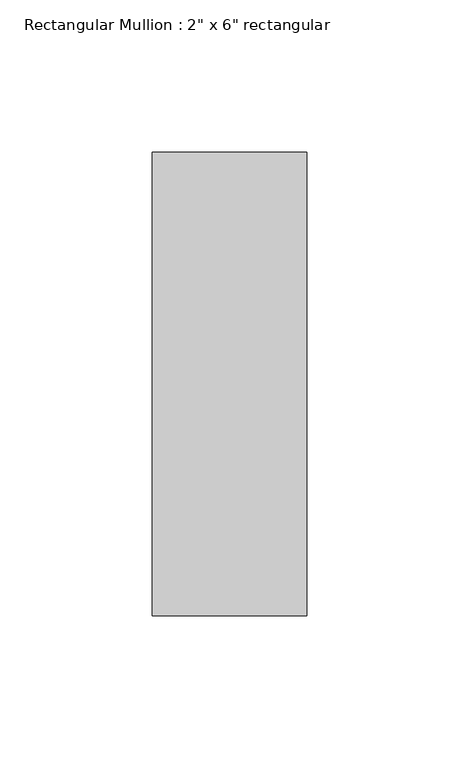
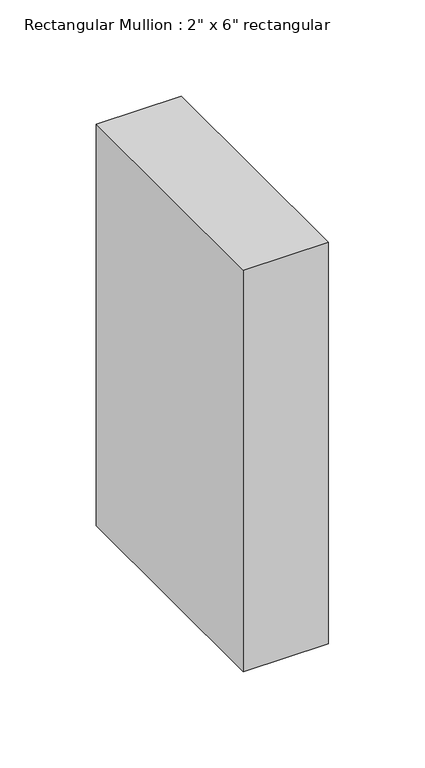
"""IFC4 building model written with IfcOpenShell, lengths in millimetres: member geometry."""

from ifc_helpers import new_model, si_unit, frame, origin, place, context, project, spatial, polyline, outline, extrude, source, transform, mapped, element, save


def member_dd88665c(model_context):
    return source(origin(), model_context, "Body", "SweptSolid", [
        extrude(outline(polyline([(0.0, 76.2), (0.0, -76.2), (-50.8, -76.2), (-50.8, 76.2), (0.0, 76.2)])), frame((0.0, 0.0, -254.0), z_axis=(0.0, 0.0, 1.0), x_axis=(1.0, 0.0, 0.0)), (0.0, 0.0, 1.0), 254.0),
    ])


if __name__ == "__main__":
    model = new_model("IFC4")
    model_context = context("Model", 3, world=origin())
    ifc_project = project(units=[si_unit("LENGTHUNIT", "METRE", prefix="MILLI")], contexts=[model_context])
    site = spatial("IfcSite", under=ifc_project)
    building = spatial("IfcBuilding", under=site)
    placement = place(None, origin())
    member_shape = member_dd88665c(model_context)
    element("IfcMember", 1, ObjectType="Rectangular Mullion : 2\" x 6\" rectangular", at=placement, inside=building, context=model_context, shape_type="MappedRepresentation", body=[
        mapped(member_shape, transform((0.0, 0.0, 0.0), x_axis=(1.0, 0.0, 0.0), y_axis=(0.0, 1.0, 0.0), z_axis=(0.0, 0.0, 1.0))),
    ])
    save(model, "model.ifc")
